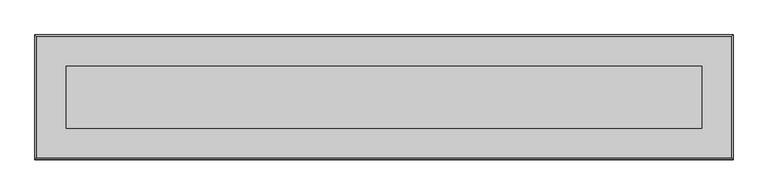
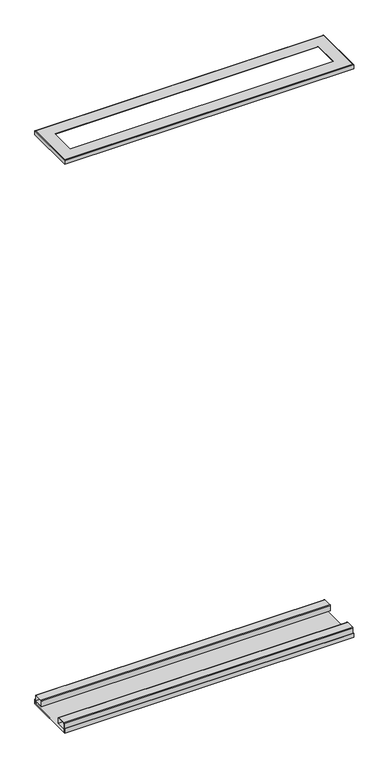
"""IFC4 building model written with IfcOpenShell, lengths in millimetres: proxy geometry."""

from ifc_helpers import new_model, si_unit, point, frame, frame_2d, origin, place, context, project, spatial, polyline, circle_curve, ellipse_curve, trimmed, segment, composite_curve, outline, extrude, source, transform, mapped, element, save
from ifc_brep_helpers import plane_surface, cylinder_surface, advanced_brep


def specialty_equipment_e3c72b48(model_context):
    return source(origin(), model_context, "Body", "SolidModel", [
        advanced_brep(
        [(371.5922638, -6.1265625, 3038.475), (371.5922638, -6.1265625, 3059.1125), (1828.5616638, -6.1265625, 3059.1125), (1828.5616638, -6.1265625, 3038.475), (370.0047638, -7.7140625, 3058.0973019), (370.0047638, -7.7140625, 3038.475), (1830.1491638, -7.7140625, 3038.475), (1830.1491638, -7.7140625, 3058.0973019), (372.607462, -5.1113644, 3060.7), (1827.5464657, -5.1113644, 3060.7), (435.0922638, 57.3734375, 3059.1125), (435.0922638, 57.3734375, 3060.7), (1765.0616638, 57.3734375, 3060.7), (1765.0616638, 57.3734375, 3059.1125), (1828.5616638, 251.0484375, 3059.1125), (1828.5616638, 251.0484375, 3038.475), (1830.1491638, 252.6359375, 3038.475), (1830.1491638, 252.6359375, 3058.0973019), (1827.5464657, 250.0332394, 3060.7), (1765.0616638, 187.5484375, 3060.7), (1765.0616638, 187.5484375, 3059.1125), (371.5922638, 251.0484375, 3059.1125), (371.5922638, 251.0484375, 3038.475), (370.0047638, 252.6359375, 3038.475), (370.0047638, 252.6359375, 3058.0973019), (372.607462, 250.0332394, 3060.7), (435.0922638, 187.5484375, 3060.7), (435.0922638, 187.5484375, 3059.1125)],
        [
            (0, 1),
            (1, 2),
            (2, 3),
            (3, 0),
            (4, 5),
            (5, 6),
            (6, 7),
            (7, 4),
            (8, 4, ellipse_curve(frame((372.607462, -5.1113644, 3058.0973019), z_axis=(0.7071067811865475, -0.7071067811865475, 0.0), x_axis=(-0.7071067811865476, -0.7071067811865474, 0.0)), 3.680771, 2.6026981)),
            (7, 9, ellipse_curve(frame((1827.5464657, -5.1113644, 3058.0973019), z_axis=(-0.7071067811865475, -0.7071067811865475, 0.0), x_axis=(-0.7071067811865476, 0.7071067811865474, 0.0)), 3.680771, 2.6026981)),
            (9, 8),
            (10, 11),
            (11, 12),
            (12, 13),
            (13, 10),
            (2, 14),
            (14, 15),
            (15, 3),
            (6, 16),
            (16, 17),
            (17, 7),
            (17, 18, ellipse_curve(frame((1827.5464657, 250.0332394, 3058.0973019), z_axis=(0.7071067811865475, -0.7071067811865475, 0.0), x_axis=(-0.7071067811865474, -0.7071067811865476, 0.0)), 3.680771, 2.6026981)),
            (18, 9),
            (12, 19),
            (19, 20),
            (20, 13),
            (14, 21),
            (21, 22),
            (22, 15),
            (16, 23),
            (23, 24),
            (24, 17),
            (24, 25, ellipse_curve(frame((372.607462, 250.0332394, 3058.0973019), z_axis=(0.7071067811865475, 0.7071067811865475, 0.0), x_axis=(0.7071067811865476, -0.7071067811865474, 0.0)), 3.680771, 2.6026981)),
            (25, 18),
            (19, 26),
            (26, 27),
            (27, 20),
            (21, 1),
            (0, 22),
            (5, 23),
            (4, 24),
            (8, 25),
            (11, 26),
            (10, 27),
        ],
        [
            plane_surface(frame((371.5922638, -6.1265625, 3059.1125), z_axis=(0.0, 1.0, 0.0), x_axis=(1.0, 0.0, 0.0))),
            plane_surface(frame((370.0047638, -7.7140625, 3038.475), z_axis=(0.0, -1.0, -1.5555421274107879e-12), x_axis=(1.0, 0.0, 0.0))),
            cylinder_surface(frame((370.0047638, -5.1113644, 3058.0973019), z_axis=(-1.0, 0.0, 0.0), x_axis=(0.0, 1.0, 0.0)), 2.6026981),
            plane_surface(frame((435.0922638, 57.3734375, 3060.7), z_axis=(0.0, 1.0, 0.0), x_axis=(1.0, 0.0, 0.0))),
            plane_surface(frame((1828.5616638, -6.1265625, 3059.1125), z_axis=(-1.0, 0.0, 0.0), x_axis=(0.0, 1.0, 0.0))),
            plane_surface(frame((1830.1491638, -7.7140625, 3038.475), z_axis=(1.0, 0.0, -1.5555421274107879e-12), x_axis=(0.0, 1.0, 0.0))),
            cylinder_surface(frame((1827.5464657, -7.7140625, 3058.0973019), z_axis=(0.0, -1.0, 0.0), x_axis=(-1.0, 0.0, 0.0)), 2.6026981),
            plane_surface(frame((1765.0616638, 57.3734375, 3060.7), z_axis=(-1.0, 0.0, 0.0), x_axis=(0.0, 1.0, 0.0))),
            plane_surface(frame((1828.5616638, 251.0484375, 3059.1125), z_axis=(0.0, -1.0, 0.0), x_axis=(-1.0, 0.0, 0.0))),
            plane_surface(frame((1830.1491638, 252.6359375, 3038.475), z_axis=(0.0, 1.0, -1.5555421274107879e-12), x_axis=(-1.0, 0.0, 0.0))),
            cylinder_surface(frame((1830.1491638, 250.0332394, 3058.0973019), z_axis=(1.0, 0.0, 0.0), x_axis=(0.0, -1.0, 0.0)), 2.6026981),
            plane_surface(frame((1765.0616638, 187.5484375, 3060.7), z_axis=(0.0, -1.0, 0.0), x_axis=(-1.0, 0.0, 0.0))),
            plane_surface(frame((371.5922638, 251.0484375, 3059.1125), z_axis=(1.0, 0.0, 0.0), x_axis=(0.0, -1.0, 0.0))),
            plane_surface(frame((371.5922638, 251.0484375, 3038.475), z_axis=(0.0, 0.0, -1.0), x_axis=(0.0, -1.0, 0.0))),
            plane_surface(frame((370.0047638, 252.6359375, 3038.475), z_axis=(-1.0, 0.0, -1.5555421274107879e-12), x_axis=(0.0, -1.0, 0.0))),
            cylinder_surface(frame((372.607462, 252.6359375, 3058.0973019), z_axis=(0.0, 1.0, 0.0), x_axis=(1.0, 0.0, 0.0)), 2.6026981),
            plane_surface(frame((372.607462, 250.0332394, 3060.7), z_axis=(0.0, 0.0, 1.0), x_axis=(0.0, -1.0, 0.0))),
            plane_surface(frame((435.0922638, 187.5484375, 3060.7), z_axis=(1.0, 0.0, 0.0), x_axis=(0.0, -1.0, 0.0))),
            plane_surface(frame((435.0922638, 187.5484375, 3059.1125), z_axis=(0.0, 0.0, -1.0), x_axis=(0.0, -1.0, 0.0))),
        ],
        [
            (0, [[1, 2, 3, 4]]),
            (1, [[5, 6, 7, 8]]),
            (2, [[9, -8, 10, 11]]),
            (3, [[12, 13, 14, 15]]),
            (4, [[-3, 16, 17, 18]]),
            (5, [[-7, 19, 20, 21]]),
            (6, [[-10, -21, 22, 23]]),
            (7, [[-14, 24, 25, 26]]),
            (8, [[-17, 27, 28, 29]]),
            (9, [[-20, 30, 31, 32]]),
            (10, [[-22, -32, 33, 34]]),
            (11, [[-25, 35, 36, 37]]),
            (12, [[-28, 38, -1, 39]]),
            (13, [[40, -30, -19, -6], [-18, -29, -39, -4]]),
            (14, [[-31, -40, -5, 41]]),
            (15, [[-33, -41, -9, 42]]),
            (16, [[-23, -34, -42, -11], [43, -35, -24, -13]]),
            (17, [[-36, -43, -12, 44]]),
            (18, [[-38, -27, -16, -2], [-26, -37, -44, -15]]),
        ],
    ),
        extrude(outline(composite_curve([segment(trimmed(circle_curve(frame_2d((243.1988458, 45.6174083)), 3.7855917), [point((243.1988458, 49.403))], [point((246.9844375, 45.6174083))], False, "CARTESIAN"), True, "CONTINUOUS"), segment(polyline([(246.9844375, 45.6174083), (246.9844375, 17.653), (196.1844375, 17.653), (196.1844375, 46.022634)]), True, "CONTINUOUS"), segment(trimmed(circle_curve(frame_2d((199.5648035, 46.022634)), 3.380366), [point((196.1844375, 46.022634))], [point((199.5648035, 49.403))], False, "CARTESIAN"), True, "CONTINUOUS"), segment(polyline([(199.5648035, 49.403), (243.1988458, 49.403)]), True, "CONTINUOUS")], self_intersect=False), holes=[polyline([(245.3334375, 47.752), (197.8354375, 47.752), (197.8354375, 19.304), (245.3334375, 19.304), (245.3334375, 47.752)])]), frame((370.0047638, 0.0, 0.0), z_axis=(1.0, 0.0, 0.0), x_axis=(0.0, 1.0, 0.0)), (0.0, 0.0, 1.0), 1460.1444),
        extrude(outline(composite_curve([segment(polyline([(48.7628375, 17.653), (-2.0371625, 17.653), (-2.0371625, 45.8195032)]), True, "CONTINUOUS"), segment(trimmed(circle_curve(frame_2d((1.5463343, 45.8195032)), 3.5834968), [point((-2.0371625, 45.8195032))], [point((1.5463343, 49.403))], False, "CARTESIAN"), True, "CONTINUOUS"), segment(polyline([(1.5463343, 49.403), (45.1597302, 49.403)]), True, "CONTINUOUS"), segment(trimmed(circle_curve(frame_2d((45.1597302, 45.7998927)), 3.6031073), [point((45.1597302, 49.403))], [point((48.7628375, 45.7998927))], False, "CARTESIAN"), True, "CONTINUOUS"), segment(polyline([(48.7628375, 45.7998927), (48.7628375, 17.653)]), True, "CONTINUOUS")], self_intersect=False), holes=[polyline([(47.1118375, 19.304), (47.1118375, 47.752), (-0.3861625, 47.752), (-0.3861625, 19.304), (47.1118375, 19.304)])]), frame((370.0047638, 0.0, 0.0), z_axis=(1.0, 0.0, 0.0), x_axis=(0.0, 1.0, 0.0)), (0.0, 0.0, 1.0), 1460.1444),
        extrude(outline(polyline([(251.0484375, 22.1115), (252.6359375, 22.1115), (252.6359375, 0.0), (-7.7140625, 0.0), (-7.7140625, 22.1115), (-6.1011625, 22.1115), (-6.1011625, 1.5875), (251.0484375, 1.5875), (251.0484375, 22.1115)])), frame((370.0047638, 0.0, 0.0), z_axis=(1.0, 0.0, 0.0), x_axis=(0.0, 1.0, 0.0)), (0.0, 0.0, 1.0), 1460.1444),
    ])


if __name__ == "__main__":
    model = new_model("IFC4")
    model_context = context("Model", 3, world=origin())
    ifc_project = project(units=[si_unit("LENGTHUNIT", "METRE", prefix="MILLI")], contexts=[model_context])
    site = spatial("IfcSite", under=ifc_project)
    building = spatial("IfcBuilding", under=site)
    placement = place(None, origin())
    specialty_equipment_shape = specialty_equipment_e3c72b48(model_context)
    element("IfcBuildingElementProxy", 1, Name="Specialty Equipment", at=placement, inside=building, context=model_context, shape_type="MappedRepresentation", body=[
        mapped(specialty_equipment_shape, transform((0.0, 0.0, 0.0), x_axis=(1.0, 0.0, 0.0), y_axis=(0.0, 1.0, 0.0), z_axis=(0.0, 0.0, 1.0))),
    ])
    save(model, "model.ifc")
